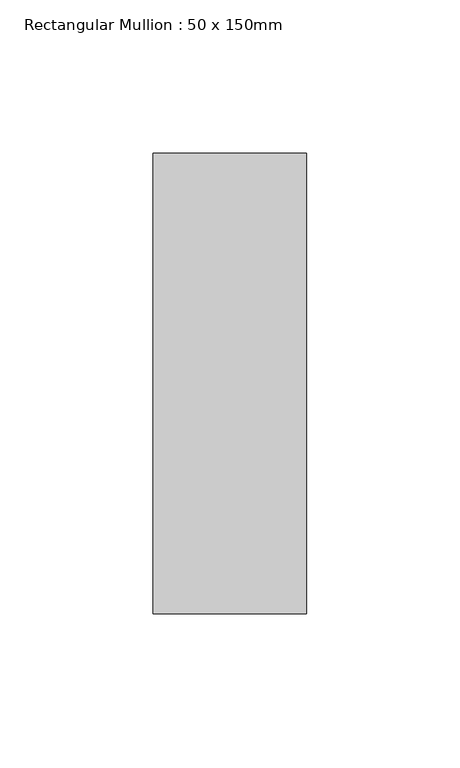
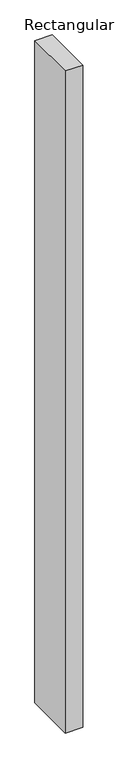
"""IFC4 building model written with IfcOpenShell, lengths in millimetres: member geometry, Rectangular Mullion : 50 x 150mm."""

from ifc_helpers import new_model, si_unit, frame, origin, place, context, project, spatial, polyline, outline, extrude, source, transform, mapped, element, save


def rectangular_mullion_50_x_150mm_aa47fe12(model_context):
    return source(origin(), model_context, "Body", "SweptSolid", [
        extrude(outline(polyline([(0.0, 75.0), (0.0, -75.0), (-50.0, -75.0), (-50.0, 75.0), (0.0, 75.0)])), frame((0.0, 0.0, -2000.0), z_axis=(0.0, 0.0, 1.0), x_axis=(1.0, 0.0, 0.0)), (0.0, 0.0, 1.0), 2000.0),
    ])


if __name__ == "__main__":
    model = new_model("IFC4")
    model_context = context("Model", 3, world=origin())
    ifc_project = project(units=[si_unit("LENGTHUNIT", "METRE", prefix="MILLI")], contexts=[model_context])
    site = spatial("IfcSite", under=ifc_project)
    building = spatial("IfcBuilding", under=site)
    placement = place(None, origin())
    rectangular_mullion_50_x_150mm_shape = rectangular_mullion_50_x_150mm_aa47fe12(model_context)
    element("IfcMember", 1, ObjectType="Rectangular Mullion : 50 x 150mm", at=placement, inside=building, context=model_context, shape_type="MappedRepresentation", body=[
        mapped(rectangular_mullion_50_x_150mm_shape, transform((0.0, 0.0, 0.0), x_axis=(1.0, 0.0, 0.0), y_axis=(0.0, 1.0, 0.0), z_axis=(0.0, 0.0, 1.0))),
    ])
    save(model, "model.ifc")
